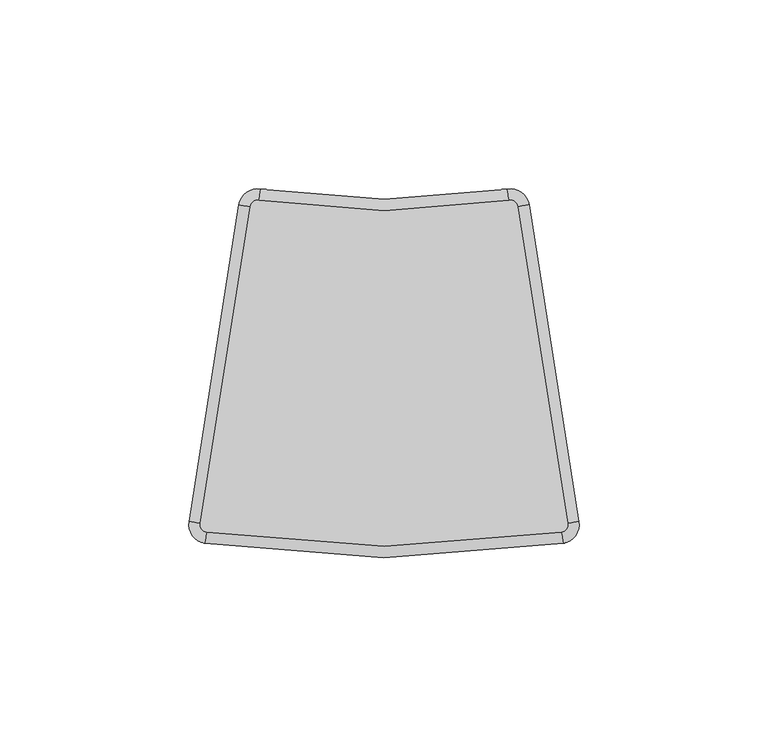
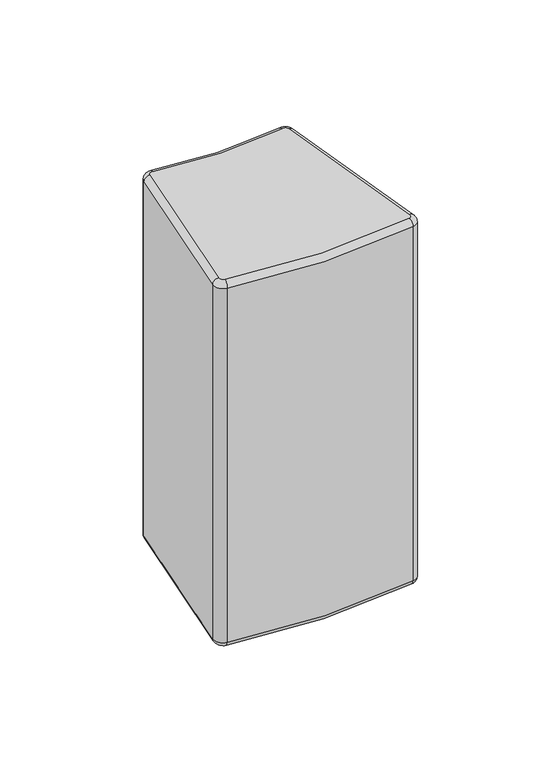
"""IFC4 building model written with IfcOpenShell, lengths in millimetres: plate geometry."""

from ifc_helpers import new_model, si_unit, point, frame, origin, place, context, project, spatial, polyline, circle_curve, ellipse_curve, trimmed, source, transform, mapped, element, save
from ifc_brep_helpers import plane_surface, cylinder_surface, revolved_surface, advanced_brep


def plate_de9b3593(model_context):
    return source(origin(), model_context, "Body", "AdvancedBrep", [
        advanced_brep(
        [(-48.6187907, -40.1579752, 196.85), (-46.9610317, -42.4433121, 196.85), (46.9610317, -42.4433121, 196.85), (48.6187907, -40.1579752, 196.85), (35.4294025, 43.6926295, 196.85), (33.1273172, 45.3550478, 196.85), (-33.1273172, 45.3550478, 196.85), (-35.4294025, 43.6926295, 196.85), (-35.4294025, 43.6926295, 0.0), (-33.1273172, 45.3550478, 0.0), (33.1273172, 45.3550478, 0.0), (35.4294025, 43.6926295, 0.0), (48.6187907, -40.1579752, 0.0), (46.9610317, -42.4433121, 0.0), (-46.9610317, -42.4433121, 0.0), (-48.6187907, -40.1579752, 0.0), (-51.5823523, -39.691818, 193.85), (-38.3929641, 44.1587867, 193.85), (-38.3929641, 44.1587867, 2.9999976), (-51.5823523, -39.691818, 3.0), (47.4379548, -45.4051602, 193.85), (-47.4379548, -45.4051602, 193.85), (-47.4379548, -45.4051602, 2.999998), (47.4379548, -45.4051602, 3.0), (38.3929641, 44.1587867, 193.85), (51.5823523, -39.691818, 193.85), (51.5823523, -39.691818, 3.0), (38.3929641, 44.1587867, 3.0), (-32.637751, 48.3148324, 193.85), (32.637751, 48.3148324, 193.85), (32.637751, 48.3148324, 2.9999986), (-32.637751, 48.3148324, 3.0)],
        [
            (0, 1, circle_curve(frame((-46.6430829, -40.4687467, 196.85), z_axis=(0.0, 0.0, 1.0), x_axis=(-0.9878538718482607, 0.15538573896725602, 0.0)), 2.0)),
            (1, 2, circle_curve(frame((0.0, 249.2, 196.85), z_axis=(0.0, 0.0, 1.0), x_axis=(-0.1589743793886803, -0.9872827085986992, 0.0)), 295.4)),
            (2, 3, circle_curve(frame((46.6430829, -40.4687467, 196.85), z_axis=(0.0, 0.0, 1.0), x_axis=(0.15897437938865627, -0.987282708598703, 0.0)), 2.0)),
            (3, 4),
            (4, 5, circle_curve(frame((33.4536947, 43.381858, 196.85), z_axis=(0.0, 0.0, 1.0), x_axis=(0.9878538718482599, 0.1553857389672605, 0.0)), 2.0)),
            (5, 6, circle_curve(frame((0.0, 245.6338056, 196.85), z_axis=(0.0, 0.0, -1.0), x_axis=(0.16318875479181272, -0.9865948663506706, 0.0)), 203.0)),
            (6, 7, circle_curve(frame((-33.4536947, 43.381858, 196.85), z_axis=(0.0, 0.0, 1.0), x_axis=(0.16318875479181183, 0.9865948663506707, 0.0)), 2.0)),
            (7, 0),
            (8, 9, circle_curve(frame((-33.4536947, 43.381858, 0.0), z_axis=(0.0, 0.0, -1.0), x_axis=(-0.9878538718482619, 0.1553857389672479, 0.0)), 2.0)),
            (9, 10, circle_curve(frame((0.0, 245.6338056, 0.0), z_axis=(0.0, 0.0, 1.0), x_axis=(-0.16318875479180558, -0.9865948663506718, 0.0)), 203.0)),
            (10, 11, circle_curve(frame((33.4536947, 43.381858, 0.0), z_axis=(0.0, 0.0, -1.0), x_axis=(-0.1631887547918012, 0.9865948663506725, 0.0)), 2.0)),
            (11, 12),
            (12, 13, circle_curve(frame((46.6430829, -40.4687467, 0.0), z_axis=(0.0, 0.0, -1.0), x_axis=(0.9878538718482593, 0.15538573896726424, 0.0)), 2.0)),
            (13, 14, circle_curve(frame((0.0, 249.2, 0.0), z_axis=(0.0, 0.0, -1.0), x_axis=(0.1589743793886688, -0.987282708598701, 0.0)), 295.4)),
            (14, 15, circle_curve(frame((-46.6430829, -40.4687467, 0.0), z_axis=(0.0, 0.0, -1.0), x_axis=(-0.1589743793886897, -0.9872827085986976, 0.0)), 2.0)),
            (15, 8),
            (16, 17),
            (17, 18),
            (18, 19),
            (19, 16),
            (20, 21, circle_curve(frame((0.0, 249.2, 193.85), z_axis=(0.0, 0.0, -1.0), x_axis=(1.0, 0.0, 0.0)), 298.4)),
            (21, 22),
            (22, 23, circle_curve(frame((0.0, 249.2, 3.0), z_axis=(0.0, 0.0, 1.0), x_axis=(1.0, 0.0, 0.0)), 298.4)),
            (23, 20),
            (24, 25),
            (25, 26),
            (26, 27),
            (27, 24),
            (28, 29, circle_curve(frame((0.0, 245.6338056, 193.85), z_axis=(0.0, 0.0, 1.0), x_axis=(1.0, 0.0, 0.0)), 200.0)),
            (29, 30),
            (30, 31, circle_curve(frame((0.0, 245.6338056, 3.0), z_axis=(0.0, 0.0, -1.0), x_axis=(1.0, 0.0, 0.0)), 200.0)),
            (31, 28),
            (21, 16, circle_curve(frame((-46.6430829, -40.4687467, 193.85), z_axis=(0.0, 0.0, -1.0), x_axis=(1.0, 0.0, 0.0)), 5.0)),
            (19, 22, circle_curve(frame((-46.6430829, -40.4687467, 3.0), z_axis=(0.0, 0.0, 1.0), x_axis=(1.0, 0.0, 0.0)), 5.0)),
            (25, 20, circle_curve(frame((46.6430829, -40.4687467, 193.85), z_axis=(0.0, 0.0, -1.0), x_axis=(1.0, 0.0, 0.0)), 5.0)),
            (23, 26, circle_curve(frame((46.6430829, -40.4687467, 3.0), z_axis=(0.0, 0.0, 1.0), x_axis=(1.0, 0.0, 0.0)), 5.0)),
            (29, 24, circle_curve(frame((33.4536947, 43.381858, 193.85), z_axis=(0.0, 0.0, -1.0), x_axis=(1.0, 0.0, 0.0)), 5.0)),
            (27, 30, circle_curve(frame((33.4536947, 43.381858, 3.0), z_axis=(0.0, 0.0, 1.0), x_axis=(1.0, 0.0, 0.0)), 5.0)),
            (17, 28, circle_curve(frame((-33.4536947, 43.381858, 193.85), z_axis=(0.0, 0.0, -1.0), x_axis=(1.0, 0.0, 0.0)), 5.0)),
            (31, 18, circle_curve(frame((-33.4536947, 43.381858, 3.0), z_axis=(0.0, 0.0, 1.0), x_axis=(1.0, 0.0, 0.0)), 5.0)),
            (21, 1, circle_curve(frame((-46.9610317, -42.4433121, 193.85), z_axis=(-0.9872827085986469, 0.1589743793890056, 0.0), x_axis=(0.1589743793890056, 0.9872827085986469, 0.0)), 3.0)),
            (0, 16, circle_curve(frame((-48.6187907, -40.1579752, 193.85), z_axis=(-0.155385738967256, -0.9878538718482607, 0.0), x_axis=(0.9878538718482607, -0.155385738967256, 0.0)), 3.0)),
            (20, 2, circle_curve(frame((46.9610317, -42.4433121, 193.85), z_axis=(-0.9872827085987009, -0.15897437938866907, 0.0), x_axis=(-0.15897437938866907, 0.9872827085987009, 0.0)), 3.0)),
            (25, 3, circle_curve(frame((48.6187907, -40.1579752, 193.85), z_axis=(0.15538573896727034, -0.9878538718482583, 0.0), x_axis=(-0.9878538718482583, -0.15538573896727034, 0.0)), 3.0)),
            (24, 4, circle_curve(frame((35.4294025, 43.6926295, 193.85), z_axis=(0.15538573896727137, -0.9878538718482582, 0.0), x_axis=(-0.9878538718482582, -0.15538573896727137, 0.0)), 3.0)),
            (29, 5, circle_curve(frame((33.1273172, 45.3550478, 193.85), z_axis=(0.9865948663507554, 0.16318875479129968, 0.0), x_axis=(0.16318875479129968, -0.9865948663507554, 0.0)), 3.0)),
            (28, 6, circle_curve(frame((-33.1273172, 45.3550478, 193.85), z_axis=(0.9865948663506717, -0.16318875479180608, 0.0), x_axis=(-0.16318875479180608, -0.9865948663506717, 0.0)), 3.0)),
            (17, 7, circle_curve(frame((-35.4294025, 43.6926295, 193.85), z_axis=(0.15538573896726787, 0.9878538718482587, 0.0), x_axis=(0.9878538718482587, -0.15538573896726787, 0.0)), 3.0)),
            (31, 9, circle_curve(frame((-33.1273172, 45.3550478, 3.0), z_axis=(-0.9865948663506676, 0.16318875479183043, 0.0), x_axis=(-0.16318875479183043, -0.9865948663506676, 0.0)), 3.0)),
            (8, 18, circle_curve(frame((-35.4294025, 43.6926295, 3.0), z_axis=(0.1553857389672479, 0.9878538718482619, 0.0), x_axis=(0.9878538718482619, -0.1553857389672479, 0.0)), 3.0)),
            (30, 10, circle_curve(frame((33.1273172, 45.3550478, 3.0), z_axis=(-0.9865948663506728, -0.16318875479180023, 0.0), x_axis=(0.16318875479180023, -0.9865948663506728, 0.0)), 3.0)),
            (27, 11, circle_curve(frame((35.4294025, 43.6926295, 3.0), z_axis=(-0.15538573896726726, 0.9878538718482589, 0.0), x_axis=(-0.9878538718482589, -0.15538573896726726, 0.0)), 3.0)),
            (26, 12, circle_curve(frame((48.6187907, -40.1579752, 3.0), z_axis=(-0.15538573896727154, 0.9878538718482582, 0.0), x_axis=(-0.9878538718482582, -0.15538573896727154, 0.0)), 3.0)),
            (23, 13, circle_curve(frame((46.9610317, -42.4433121, 3.0), z_axis=(0.9872827085987055, 0.15897437938864065, 0.0), x_axis=(-0.15897437938864065, 0.9872827085987055, 0.0)), 3.0)),
            (22, 14, circle_curve(frame((-46.9610317, -42.4433121, 3.0), z_axis=(0.9872827085987002, -0.15897437938867476, 0.0), x_axis=(0.15897437938867476, 0.9872827085987002, 0.0)), 3.0)),
            (19, 15, circle_curve(frame((-48.6187907, -40.1579752, 3.0), z_axis=(-0.1553857389672485, -0.9878538718482618, 0.0), x_axis=(0.9878538718482618, -0.1553857389672485, 0.0)), 3.0)),
        ],
        [
            plane_surface(frame((-52.35, -44.5720843, 196.85), z_axis=(0.0, 0.0, 1.0), x_axis=(-0.15538573896725646, -0.9878538718482606, 0.0))),
            plane_surface(frame((-52.35, -44.5720843, 0.0), z_axis=(0.0, 0.0, -1.0), x_axis=(0.15538573896725646, 0.9878538718482606, 0.0))),
            plane_surface(frame((-38.3929641, 44.1587867, 196.85), z_axis=(-0.9878538718482606, 0.15538573896725646, 0.0), x_axis=(0.0, 0.0, -1.0))),
            cylinder_surface(frame((0.0, 249.2, 0.0), z_axis=(0.0, 0.0, 1.0), x_axis=(1.0, 0.0, 0.0)), 298.4),
            plane_surface(frame((51.5823523, -39.691818, 196.85), z_axis=(0.9878538718482583, 0.15538573896727115, 0.0), x_axis=(0.0, 0.0, -1.0))),
            revolved_surface(polyline([(200.0, 245.6338056, 2.9999986), (200.0, 245.6338056, 193.85)]), (0.0, 245.6338056, 0.0), (0.0, 0.0, -1.0)),
            cylinder_surface(frame((-46.6430829, -40.4687467, 0.0), z_axis=(0.0, 0.0, 1.0), x_axis=(1.0, 0.0, 0.0)), 5.0),
            cylinder_surface(frame((46.6430829, -40.4687467, 0.0), z_axis=(0.0, 0.0, 1.0), x_axis=(1.0, 0.0, 0.0)), 5.0),
            cylinder_surface(frame((33.4536947, 43.381858, 0.0), z_axis=(0.0, 0.0, 1.0), x_axis=(1.0, 0.0, 0.0)), 5.0),
            cylinder_surface(frame((-33.4536947, 43.381858, 0.0), z_axis=(0.0, 0.0, 1.0), x_axis=(1.0, 0.0, 0.0)), 5.0),
            revolved_surface(trimmed(ellipse_curve(frame((-48.6187907, -40.1579752, 193.85), z_axis=(0.155385738967256, 0.9878538718482607, 0.0), x_axis=(0.9878538718482607, -0.155385738967256, 0.0)), 3.0, 3.0), [point((-51.5823523, -39.691818, 193.85))], [point((-48.6187907, -40.1579752, 196.85))], True, "CARTESIAN"), (-46.6430829, -40.4687467, 196.85), (0.0, 0.0, 1.0)),
            revolved_surface(trimmed(ellipse_curve(frame((-46.9610317, -42.4433121, 193.85), z_axis=(-0.9872827085986992, 0.1589743793886803, 0.0), x_axis=(0.1589743793886803, 0.9872827085986992, 0.0)), 3.0, 3.0), [point((-47.4379548, -45.4051602, 193.85))], [point((-46.9610317, -42.4433121, 196.85))], True, "CARTESIAN"), (0.0, 249.2, 196.85), (0.0, 0.0, 1.0)),
            revolved_surface(trimmed(ellipse_curve(frame((46.9610317, -42.4433121, 193.85), z_axis=(-0.987282708598703, -0.15897437938865625, 0.0), x_axis=(-0.15897437938865625, 0.987282708598703, 0.0)), 3.0, 3.0), [point((47.4379548, -45.4051602, 193.85))], [point((46.9610317, -42.4433121, 196.85))], True, "CARTESIAN"), (46.6430829, -40.4687467, 196.85), (0.0, 0.0, 1.0)),
            cylinder_surface(frame((48.6187907, -40.1579752, 193.85), z_axis=(-0.15538573896727137, 0.9878538718482582, 0.0), x_axis=(-0.9878538718482582, -0.15538573896727137, 0.0)), 3.0),
            revolved_surface(trimmed(ellipse_curve(frame((35.4294025, 43.6926295, 193.85), z_axis=(0.15538573896726046, -0.9878538718482599, 0.0), x_axis=(-0.9878538718482599, -0.15538573896726046, 0.0)), 3.0, 3.0), [point((38.3929641, 44.1587867, 193.85))], [point((35.4294025, 43.6926295, 196.85))], True, "CARTESIAN"), (33.4536947, 43.381858, 196.85), (0.0, 0.0, 1.0)),
            revolved_surface(trimmed(ellipse_curve(frame((33.1273172, 45.3550478, 193.85), z_axis=(0.9865948663506706, 0.16318875479181272, 0.0), x_axis=(0.16318875479181272, -0.9865948663506706, 0.0)), 3.0, 3.0), [point((32.637751, 48.3148324, 193.85))], [point((33.1273172, 45.3550478, 196.85))], True, "CARTESIAN"), (0.0, 245.6338056, 196.85), (0.0, 0.0, -1.0)),
            revolved_surface(trimmed(ellipse_curve(frame((-33.1273172, 45.3550478, 193.85), z_axis=(0.9865948663506707, -0.16318875479181183, 0.0), x_axis=(-0.16318875479181183, -0.9865948663506707, 0.0)), 3.0, 3.0), [point((-32.637751, 48.3148324, 193.85))], [point((-33.1273172, 45.3550478, 196.85))], True, "CARTESIAN"), (-33.4536947, 43.381858, 196.85), (0.0, 0.0, 1.0)),
            cylinder_surface(frame((-35.4294025, 43.6926295, 193.85), z_axis=(-0.15538573896725644, -0.9878538718482607, 0.0), x_axis=(0.9878538718482607, -0.15538573896725644, 0.0)), 3.0),
            revolved_surface(trimmed(ellipse_curve(frame((-35.4294025, 43.6926295, 3.0), z_axis=(-0.1553857389672479, -0.9878538718482619, 0.0), x_axis=(0.9878538718482619, -0.1553857389672479, 0.0)), 3.0, 3.0), [point((-38.3929641, 44.1587867, 3.0))], [point((-35.4294025, 43.6926295, 0.0))], True, "CARTESIAN"), (-33.4536947, 43.381858, 0.0), (0.0, 0.0, -1.0)),
            revolved_surface(trimmed(ellipse_curve(frame((-33.1273172, 45.3550478, 3.0), z_axis=(-0.9865948663506718, 0.16318875479180547, 0.0), x_axis=(-0.16318875479180547, -0.9865948663506718, 0.0)), 3.0, 3.0), [point((-32.637751, 48.3148324, 3.0))], [point((-33.1273172, 45.3550478, 0.0))], True, "CARTESIAN"), (0.0, 245.6338056, 0.0), (0.0, 0.0, 1.0)),
            revolved_surface(trimmed(ellipse_curve(frame((33.1273172, 45.3550478, 3.0), z_axis=(-0.9865948663506725, -0.16318875479180134, 0.0), x_axis=(0.16318875479180134, -0.9865948663506725, 0.0)), 3.0, 3.0), [point((32.637751, 48.3148324, 3.0))], [point((33.1273172, 45.3550478, 0.0))], True, "CARTESIAN"), (33.4536947, 43.381858, 0.0), (0.0, 0.0, -1.0)),
            cylinder_surface(frame((35.4294025, 43.6926295, 3.0), z_axis=(0.15538573896727154, -0.9878538718482582, 0.0), x_axis=(-0.9878538718482582, -0.15538573896727154, 0.0)), 3.0),
            revolved_surface(trimmed(ellipse_curve(frame((48.6187907, -40.1579752, 3.0), z_axis=(-0.1553857389672644, 0.9878538718482593, 0.0), x_axis=(-0.9878538718482593, -0.1553857389672644, 0.0)), 3.0, 3.0), [point((51.5823523, -39.691818, 3.0))], [point((48.6187907, -40.1579752, 0.0))], True, "CARTESIAN"), (46.6430829, -40.4687467, 0.0), (0.0, 0.0, -1.0)),
            revolved_surface(trimmed(ellipse_curve(frame((46.9610317, -42.4433121, 3.0), z_axis=(0.987282708598701, 0.15897437938866904, 0.0), x_axis=(-0.15897437938866904, 0.987282708598701, 0.0)), 3.0, 3.0), [point((47.4379548, -45.4051602, 3.0))], [point((46.9610317, -42.4433121, 0.0))], True, "CARTESIAN"), (0.0, 249.2, 0.0), (0.0, 0.0, -1.0)),
            revolved_surface(trimmed(ellipse_curve(frame((-46.9610317, -42.4433121, 3.0), z_axis=(0.9872827085986976, -0.1589743793886894, 0.0), x_axis=(0.1589743793886894, 0.9872827085986976, 0.0)), 3.0, 3.0), [point((-47.4379548, -45.4051602, 3.0))], [point((-46.9610317, -42.4433121, 0.0))], True, "CARTESIAN"), (-46.6430829, -40.4687467, 0.0), (0.0, 0.0, -1.0)),
            cylinder_surface(frame((-48.6187907, -40.1579752, 3.0), z_axis=(0.15538573896725622, 0.9878538718482607, 0.0), x_axis=(0.9878538718482607, -0.15538573896725622, 0.0)), 3.0),
        ],
        [
            (0, [[1, 2, 3, 4, 5, 6, 7, 8]]),
            (1, [[9, 10, 11, 12, 13, 14, 15, 16]]),
            (2, [[17, 18, 19, 20]]),
            (3, [[21, 22, 23, 24]]),
            (4, [[25, 26, 27, 28]]),
            (5, [[29, 30, 31, 32]]),
            (6, [[33, -20, 34, -22]]),
            (7, [[35, -24, 36, -26]]),
            (8, [[37, -28, 38, -30]]),
            (9, [[39, -32, 40, -18]]),
            (10, [[41, -1, 42, -33]]),
            (11, [[-41, -21, 43, -2]]),
            (12, [[-43, -35, 44, -3]]),
            (13, [[-44, -25, 45, -4]]),
            (14, [[-45, -37, 46, -5]]),
            (15, [[-46, -29, 47, -6]]),
            (16, [[-47, -39, 48, -7]]),
            (17, [[-42, -8, -48, -17]]),
            (18, [[49, -9, 50, -40]]),
            (19, [[-49, -31, 51, -10]]),
            (20, [[-51, -38, 52, -11]]),
            (21, [[-52, -27, 53, -12]]),
            (22, [[-53, -36, 54, -13]]),
            (23, [[-54, -23, 55, -14]]),
            (24, [[-55, -34, 56, -15]]),
            (25, [[-50, -16, -56, -19]]),
        ],
    ),
    ])


if __name__ == "__main__":
    model = new_model("IFC4")
    model_context = context("Model", 3, world=origin())
    ifc_project = project(units=[si_unit("LENGTHUNIT", "METRE", prefix="MILLI")], contexts=[model_context])
    site = spatial("IfcSite", under=ifc_project)
    building = spatial("IfcBuilding", under=site)
    placement = place(None, origin())
    plate_shape = plate_de9b3593(model_context)
    element("IfcPlate", 1, at=placement, inside=building, context=model_context, shape_type="MappedRepresentation", body=[
        mapped(plate_shape, transform((0.0, 0.0, 0.0), x_axis=(1.0, 0.0, 0.0), y_axis=(0.0, 1.0, 0.0), z_axis=(0.0, 0.0, 1.0))),
    ])
    save(model, "model.ifc")
